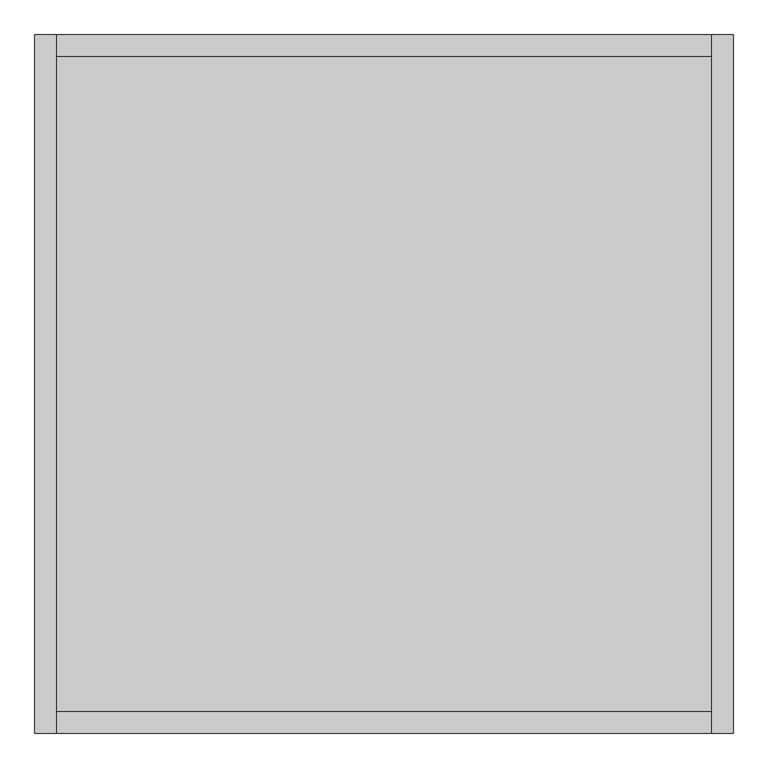
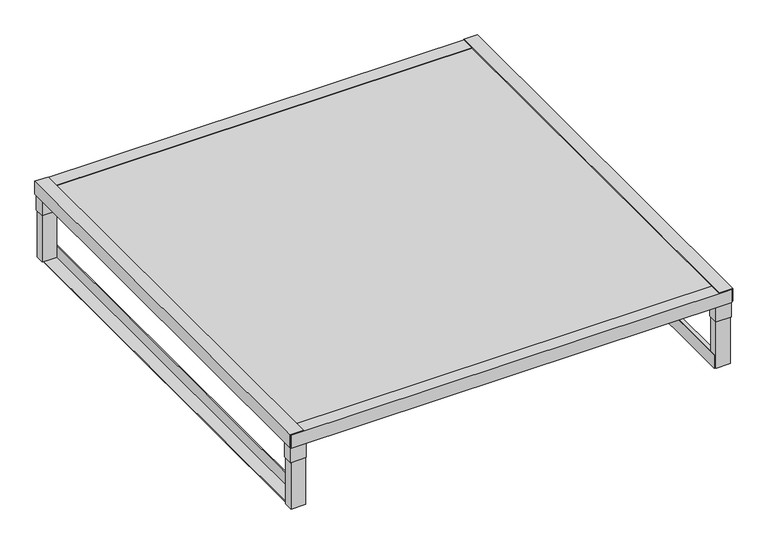
"""IFC4 building model written with IfcOpenShell, lengths in millimetres: proxy geometry."""

from ifc_helpers import new_model, si_unit, frame, origin, place, context, project, spatial, polyline, outline, extrude, source, transform, mapped, element, save


def specialty_equipment_d17cc728(model_context):
    return source(origin(), model_context, "Body", "SweptSolid", [
        extrude(outline(polyline([(-766.0, 105.0), (-766.0, 71.0), (-819.9705966, 71.0), (-819.9705966, 105.0), (-766.0, 105.0)])), frame((0.0, 0.0, 3.0), z_axis=(0.0, 0.0, 1.0), x_axis=(1.0, 0.0, 0.0)), (0.0, 0.0, 1.0), 185.0),
        extrude(outline(polyline([(820.0, 105.0), (820.0, 71.0), (765.9705966, 71.0), (765.9705966, 105.0), (820.0, 105.0)])), frame((0.0, 0.0, 3.0), z_axis=(0.0, 0.0, 1.0), x_axis=(1.0, 0.0, 0.0)), (0.0, 0.0, 1.0), 185.0),
        extrude(outline(polyline([(820.0, -1501.0), (820.0, -1535.0), (765.9705966, -1535.0), (765.9705966, -1501.0), (820.0, -1501.0)])), frame((0.0, 0.0, 3.0), z_axis=(0.0, 0.0, 1.0), x_axis=(1.0, 0.0, 0.0)), (0.0, 0.0, 1.0), 185.0),
        extrude(outline(polyline([(-766.0, -1501.0), (-766.0, -1535.0), (-819.9705966, -1535.0), (-819.9705966, -1501.0), (-766.0, -1501.0)])), frame((0.0, 0.0, 3.0), z_axis=(0.0, 0.0, 1.0), x_axis=(1.0, 0.0, 0.0)), (0.0, 0.0, 1.0), 185.0),
        extrude(outline(polyline([(-763.9705966, 107.0), (-763.9705966, 69.0), (-821.9705966, 69.0), (-821.9705966, 107.0), (-763.9705966, 107.0)])), frame((0.0, 0.0, 188.0), z_axis=(0.0, 0.0, 1.0), x_axis=(1.0, 0.0, 0.0)), (0.0, 0.0, 1.0), 100.0),
        extrude(outline(polyline([(763.9705966, 107.0), (821.9705966, 107.0), (821.9705966, 69.0), (763.9705966, 69.0), (763.9705966, 107.0)])), frame((0.0, 0.0, 188.0), z_axis=(0.0, 0.0, 1.0), x_axis=(1.0, 0.0, 0.0)), (0.0, 0.0, 1.0), 100.0),
        extrude(outline(polyline([(-763.9705966, -1537.0), (-821.9705966, -1537.0), (-821.9705966, -1499.0), (-763.9705966, -1499.0), (-763.9705966, -1537.0)])), frame((0.0, 0.0, 188.0), z_axis=(0.0, 0.0, 1.0), x_axis=(1.0, 0.0, 0.0)), (0.0, 0.0, 1.0), 100.0),
        extrude(outline(polyline([(763.9705966, -1537.0), (763.9705966, -1499.0), (821.9705966, -1499.0), (821.9705966, -1537.0), (763.9705966, -1537.0)])), frame((0.0, 0.0, 188.0), z_axis=(0.0, 0.0, 1.0), x_axis=(1.0, 0.0, 0.0)), (0.0, 0.0, 1.0), 100.0),
        extrude(outline(polyline([(3.0, -766.0), (3.0, -813.0), (0.0, -813.0), (0.0, -763.0), (50.0, -763.0), (50.0, -766.0), (3.0, -766.0)])), frame((0.0, -1528.0, 0.0), z_axis=(0.0, 1.0, 0.0), x_axis=(0.0, 0.0, 1.0)), (0.0, 0.0, 1.0), 1626.0),
        extrude(outline(polyline([(3.0, 765.9705966), (50.0, 765.9705966), (50.0, 762.9705966), (0.0, 762.9705966), (0.0, 812.9705966), (3.0, 812.9705966), (3.0, 765.9705966)])), frame((0.0, -1528.0, 0.0), z_axis=(0.0, 1.0, 0.0), x_axis=(0.0, 0.0, 1.0)), (0.0, 0.0, 1.0), 1626.0),
        extrude(outline(polyline([(107.0, 294.0), (60.0, 294.0), (60.0, 297.0), (110.0, 297.0), (110.0, 247.0), (107.0, 247.0), (107.0, 294.0)])), frame((-821.9705966, 0.0, 0.0), z_axis=(1.0, 0.0, 0.0), x_axis=(0.0, 1.0, 0.0)), (0.0, 0.0, 1.0), 1643.9705966),
        extrude(outline(polyline([(-1537.0, 294.0), (-1537.0, 247.0), (-1540.0, 247.0), (-1540.0, 297.0), (-1490.0, 297.0), (-1490.0, 294.0), (-1537.0, 294.0)])), frame((-821.9705966, 0.0, 0.0), z_axis=(1.0, 0.0, 0.0), x_axis=(0.0, 1.0, 0.0)), (0.0, 0.0, 1.0), 1643.9705966),
        extrude(outline(polyline([(297.0, -822.0), (297.0, -775.0), (300.0, -775.0), (300.0, -825.0), (250.0, -825.0), (250.0, -822.0), (297.0, -822.0)])), frame((0.0, -1540.0, 0.0), z_axis=(0.0, 1.0, 0.0), x_axis=(0.0, 0.0, 1.0)), (0.0, 0.0, 1.0), 1650.0),
        extrude(outline(polyline([(297.0, 822.0), (250.0, 822.0), (250.0, 825.0), (300.0, 825.0), (300.0, 775.0), (297.0, 775.0), (297.0, 822.0)])), frame((0.0, -1540.0, 0.0), z_axis=(0.0, 1.0, 0.0), x_axis=(0.0, 0.0, 1.0)), (0.0, 0.0, 1.0), 1650.0),
        extrude(outline(polyline([(822.0, 107.0), (822.0, -1537.0), (-821.9705966, -1537.0), (-821.9705966, 107.0), (822.0, 107.0)])), frame((0.0, 0.0, 288.0), z_axis=(0.0, 0.0, 1.0), x_axis=(1.0, 0.0, 0.0)), (0.0, 0.0, 1.0), 6.0),
    ])


if __name__ == "__main__":
    model = new_model("IFC4")
    model_context = context("Model", 3, world=origin())
    ifc_project = project(units=[si_unit("LENGTHUNIT", "METRE", prefix="MILLI")], contexts=[model_context])
    site = spatial("IfcSite", under=ifc_project)
    building = spatial("IfcBuilding", under=site)
    placement = place(None, origin())
    specialty_equipment_shape = specialty_equipment_d17cc728(model_context)
    element("IfcBuildingElementProxy", 1, Name="Specialty Equipment", at=placement, inside=building, context=model_context, shape_type="MappedRepresentation", body=[
        mapped(specialty_equipment_shape, transform((0.0, 0.0, 0.0), x_axis=(1.0, 0.0, 0.0), y_axis=(0.0, 1.0, 0.0), z_axis=(0.0, 0.0, 1.0))),
    ])
    save(model, "model.ifc")
